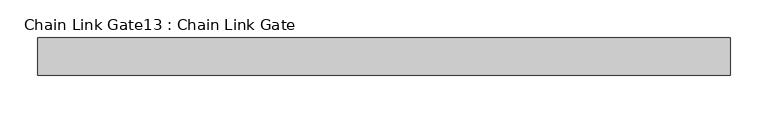
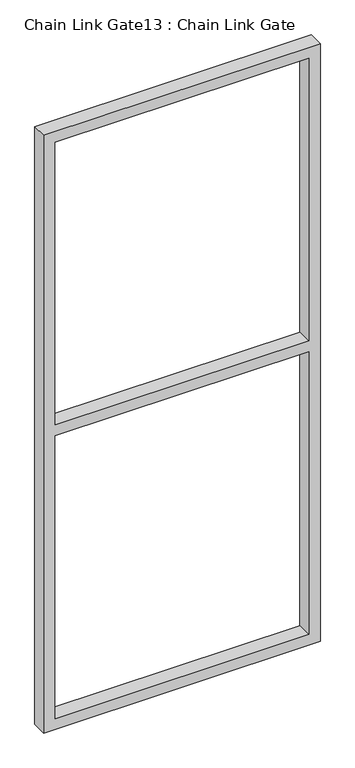
"""IFC4 building model written with IfcOpenShell, lengths in millimetres: proxy geometry, Chain Link Gate13 : Chain Link Gate."""

from ifc_helpers import new_model, si_unit, frame, origin, place, context, project, spatial, polyline, outline, extrude, source, transform, mapped, element, save


def chain_link_gate13_chain_link_gate_1797e115(model_context):
    return source(origin(), model_context, "Body", "SweptSolid", [
        extrude(outline(polyline([(2120.9, -22222.1993371), (2120.9, -23146.1243371), (12.7, -23146.1243371), (12.7, -22222.1993371), (2120.9, -22222.1993371)]), holes=[polyline([(2082.8, -22260.2993371), (1085.85, -22260.2993371), (1085.85, -23108.0243371), (2082.8, -23108.0243371), (2082.8, -22260.2993371)]), polyline([(1047.75, -23108.0243371), (1047.75, -22260.2993371), (50.8, -22260.2993371), (50.8, -23108.0243371), (1047.75, -23108.0243371)])]), frame((0.0, -3998.1978765, 0.0), z_axis=(0.0, 1.0, 0.0), x_axis=(0.0, 0.0, 1.0)), (0.0, 0.0, 1.0), 50.1314753),
    ])


if __name__ == "__main__":
    model = new_model("IFC4")
    model_context = context("Model", 3, world=origin())
    ifc_project = project(units=[si_unit("LENGTHUNIT", "METRE", prefix="MILLI")], contexts=[model_context])
    site = spatial("IfcSite", under=ifc_project)
    building = spatial("IfcBuilding", under=site)
    placement = place(None, origin())
    chain_link_gate13_chain_link_gate_shape = chain_link_gate13_chain_link_gate_1797e115(model_context)
    element("IfcBuildingElementProxy", 1, Name="Chain Link Gate13 : Chain Link Gate", ObjectType="Chain Link Gate13 : Chain Link Gate", at=placement, inside=building, context=model_context, shape_type="MappedRepresentation", body=[
        mapped(chain_link_gate13_chain_link_gate_shape, transform((0.0, 0.0, 0.0), x_axis=(1.0, 0.0, 0.0), y_axis=(0.0, 1.0, 0.0), z_axis=(0.0, 0.0, 1.0))),
    ])
    save(model, "model.ifc")
